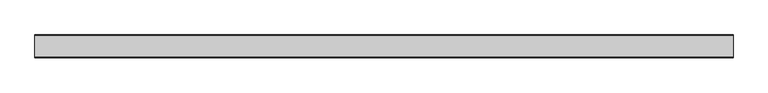
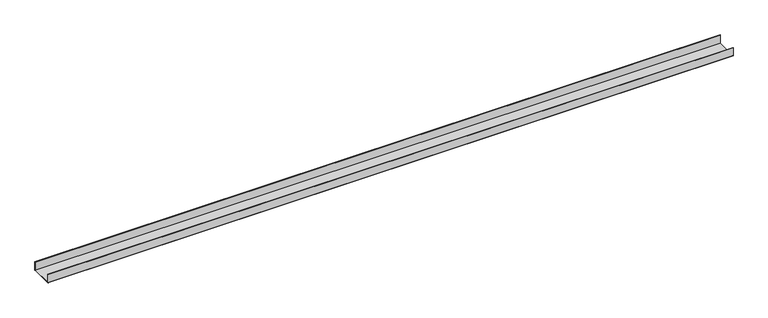
"""IFC4 building model written with IfcOpenShell, lengths in millimetres: proxy geometry."""

from ifc_helpers import new_model, si_unit, point, frame, frame_2d, origin, place, context, project, spatial, polyline, circle_curve, trimmed, segment, composite_curve, outline, extrude, source, transform, mapped, element, save


def generic_models_b547ddcd(model_context):
    return source(origin(), model_context, "Body", "SweptSolid", [
        extrude(outline(composite_curve([segment(polyline([(-50.5, 2.0), (-50.5, 40.0), (-48.5, 40.0), (-48.5, 2.0), (48.5, 2.0), (48.5, 40.0), (50.5, 40.0), (50.5, 2.0)]), True, "CONTINUOUS"), segment(trimmed(circle_curve(frame_2d((48.5, 2.0)), 2.0), [point((50.5, 2.0))], [point((48.5, 0.0))], False, "CARTESIAN"), True, "CONTINUOUS"), segment(polyline([(48.5, 0.0), (-48.5, 0.0)]), True, "CONTINUOUS"), segment(trimmed(circle_curve(frame_2d((-48.5, 2.0)), 2.0), [point((-48.5, 0.0))], [point((-50.5, 2.0))], False, "CARTESIAN"), True, "CONTINUOUS")], self_intersect=False)), frame((0.0, 0.0, 0.0), z_axis=(1.0, 0.0, 0.0), x_axis=(0.0, 1.0, 0.0)), (0.0, 0.0, 1.0), 3086.3397513),
    ])


if __name__ == "__main__":
    model = new_model("IFC4")
    model_context = context("Model", 3, world=origin())
    ifc_project = project(units=[si_unit("LENGTHUNIT", "METRE", prefix="MILLI")], contexts=[model_context])
    site = spatial("IfcSite", under=ifc_project)
    building = spatial("IfcBuilding", under=site)
    placement = place(None, origin())
    generic_models_shape = generic_models_b547ddcd(model_context)
    element("IfcBuildingElementProxy", 1, Name="Generic Models", at=placement, inside=building, context=model_context, shape_type="MappedRepresentation", body=[
        mapped(generic_models_shape, transform((0.0, 0.0, 0.0), x_axis=(1.0, 0.0, 0.0), y_axis=(0.0, 1.0, 0.0), z_axis=(0.0, 0.0, 1.0))),
    ])
    save(model, "model.ifc")
